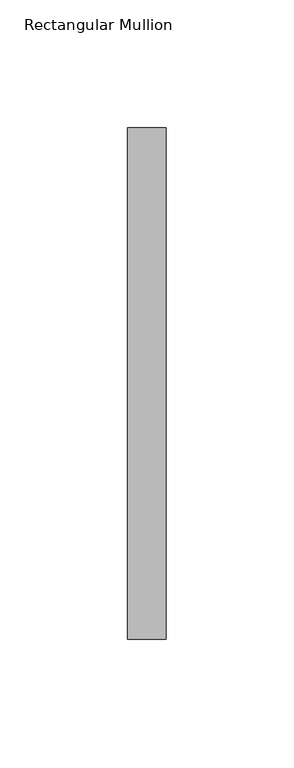
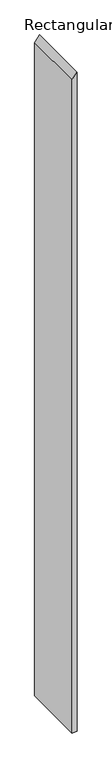
"""IFC4 building model written with IfcOpenShell, lengths in millimetres: member geometry, Rectangular Mullion."""

import ifcopenshell
import ifcopenshell.guid

model = None  # the IFC model being written
_history = None  # IfcOwnerHistory: only IFC2X3 demands one
_inside = {}  # id of a spatial element -> (the spatial element, [elements in it])
_under = {}  # id of a project, library or spatial element -> (it, [spatial elements below it])
_declared = {}  # id of a project -> (the project, [libraries it declares])
_typed = {}  # id of a type object -> (the type object, [elements of that type])
_made_of = {}  # id of a material, layer set ... -> (it, [elements and type objects made of it])


def new_model(schema):
    """Start an empty IFC model of exactly this schema.

    Asked for "IFC4X3", IfcOpenShell would pick the latest addendum, in which some entities
    have other attributes; the version numbers below select the first issue.
    IFC2X3 requires an IfcOwnerHistory on every rooted entity: one is made here for all.
    """
    global model, _history
    if schema == "IFC4X3":
        model = ifcopenshell.file(schema_version=(4, 3, 0, 0))
    else:
        model = ifcopenshell.file(schema=schema)
    _inside.clear()
    _under.clear()
    _declared.clear()
    _typed.clear()
    _made_of.clear()
    _history = None
    if model.schema == "IFC2X3":
        org = make("IfcOrganization", Name="unknown")
        user = make(
            "IfcPersonAndOrganization",
            ThePerson=make("IfcPerson", FamilyName="unknown"),
            TheOrganization=org,
        )
        app = make(
            "IfcApplication",
            ApplicationDeveloper=org,
            Version="unknown",
            ApplicationFullName="unknown",
            ApplicationIdentifier="unknown",
        )
        _history = make(
            "IfcOwnerHistory",
            OwningUser=user,
            OwningApplication=app,
            ChangeAction="ADDED",
            CreationDate=0,
        )
    return model


def make(cls, **values):
    """One entity of the class cls with the attributes given. An attribute that is None is left unset."""
    return model.create_entity(
        cls, **{name: value for name, value in values.items() if value is not None}
    )


def rooted(cls, **values):
    """An entity with a GlobalId (a new one), such as an element, a storey or a relation."""
    return make(cls, GlobalId=ifcopenshell.guid.new(), OwnerHistory=_history, **values)


def si_unit(unit_type, name, prefix=None):
    """IfcSIUnit, for example si_unit("LENGTHUNIT", "METRE", prefix="MILLI")."""
    return make("IfcSIUnit", UnitType=unit_type, Prefix=prefix, Name=name)


def assignment(units):
    """IfcUnitAssignment: the units of a project."""
    return None if units is None else make("IfcUnitAssignment", Units=units)


def point(xyz):
    """IfcCartesianPoint."""
    return None if xyz is None else make("IfcCartesianPoint", Coordinates=xyz)


def direction(xyz):
    """IfcDirection."""
    return None if xyz is None else make("IfcDirection", DirectionRatios=xyz)


def frame(location, z_axis=None, x_axis=None):
    """IfcAxis2Placement3D, a coordinate frame: its origin and axes. An axis left out is left unset."""
    return make(
        "IfcAxis2Placement3D",
        Location=point(location),
        Axis=direction(z_axis),
        RefDirection=direction(x_axis),
    )


def origin():
    """The frame at (0, 0, 0) with its axes left unset."""
    return frame((0.0, 0.0, 0.0))


def place(relative_to, where):
    """IfcLocalPlacement: puts the frame where relative to a parent placement (None: the world)."""
    return make(
        "IfcLocalPlacement", PlacementRelTo=relative_to, RelativePlacement=where
    )


def context(
    kind, dimensions, precision=None, world=None, true_north=None, identifier=None
):
    """IfcGeometricRepresentationContext, for example the 3D "Model" context."""
    return make(
        "IfcGeometricRepresentationContext",
        ContextIdentifier=identifier,
        ContextType=kind,
        CoordinateSpaceDimension=dimensions,
        Precision=precision,
        WorldCoordinateSystem=world,
        TrueNorth=true_north,
    )


def project(units=None, contexts=None):
    """IfcProject with its units and contexts."""
    return rooted(
        "IfcProject",
        Name="project",
        RepresentationContexts=contexts,
        UnitsInContext=assignment(units),
    )


def spatial(cls, under=None, at=None, **own):
    """A site, building, storey or space (cls), placed at a placement, below another one or the project."""
    s = rooted(cls, ObjectPlacement=at, **own)
    if under is not None:
        _under.setdefault(under.id(), (under, []))[1].append(s)
    return s


def polyline(points):
    """IfcPolyline through the points."""
    return make("IfcPolyline", Points=[point(p) for p in points])


def outline(outer, holes=None, kind="AREA"):
    """IfcArbitraryClosedProfileDef: a profile drawn as a closed curve; with holes, ...WithVoids."""
    if holes is None:
        return make("IfcArbitraryClosedProfileDef", ProfileType=kind, OuterCurve=outer)
    return make(
        "IfcArbitraryProfileDefWithVoids",
        ProfileType=kind,
        OuterCurve=outer,
        InnerCurves=holes,
    )


def extrude(swept, where, along, depth):
    """IfcExtrudedAreaSolid: the profile swept, set in the frame where, extruded along a direction by depth."""
    return make(
        "IfcExtrudedAreaSolid",
        SweptArea=swept,
        Position=where,
        ExtrudedDirection=direction(along),
        Depth=depth,
    )


def shape(context_of_items, identifier, shape_type, items):
    """IfcShapeRepresentation: the items that make up one representation, for example the "Body"."""
    return make(
        "IfcShapeRepresentation",
        ContextOfItems=context_of_items,
        RepresentationIdentifier=identifier,
        RepresentationType=shape_type,
        Items=items,
    )


def source(mapping_origin, context_of_items, identifier, shape_type, items):
    """IfcRepresentationMap: a shape defined once, which mapped items show again and again."""
    return make(
        "IfcRepresentationMap",
        MappingOrigin=mapping_origin,
        MappedRepresentation=shape(context_of_items, identifier, shape_type, items),
    )


def transform(
    local_origin,
    x_axis=None,
    y_axis=None,
    z_axis=None,
    scale=None,
    scale2=None,
    scale3=None,
    uniform=True,
):
    """IfcCartesianTransformationOperator3D, or its non-uniform kind. x_axis, y_axis, z_axis: its Axis1, 2, 3."""
    if uniform:
        return make(
            "IfcCartesianTransformationOperator3D",
            Axis1=direction(x_axis),
            Axis2=direction(y_axis),
            LocalOrigin=point(local_origin),
            Scale=scale,
            Axis3=direction(z_axis),
        )
    return make(
        "IfcCartesianTransformationOperator3DnonUniform",
        Axis1=direction(x_axis),
        Axis2=direction(y_axis),
        LocalOrigin=point(local_origin),
        Scale=scale,
        Axis3=direction(z_axis),
        Scale2=scale2,
        Scale3=scale3,
    )


def mapped(mapping_source, mapping_target):
    """IfcMappedItem: shows the shape of a source again, moved by a transform."""
    return make(
        "IfcMappedItem", MappingSource=mapping_source, MappingTarget=mapping_target
    )


def made_of(thing, what):
    """Note that an element or type object is made of a material, layer set ...; save() writes the relation."""
    if what is not None:
        _made_of.setdefault(what.id(), (what, []))[1].append(thing)
    return thing


def element(
    cls,
    number,
    at=None,
    inside=None,
    cuts=None,
    type_object=None,
    material=None,
    context=None,
    identifier="Body",
    shape_type=None,
    held_by="IfcProductDefinitionShape",
    body=None,
    shapes=None,
    **own,
):
    """One element of the class cls, such as IfcWall. Its Tag is "e" and its number.

    at: its placement. inside: the storey or other place that contains it. cuts: it is an
    opening in that element (IfcRelVoidsElement). A single representation is given by context,
    identifier, shape_type and body (its items); several are given by shapes. held_by: the class
    of the entity that holds the representations. save() writes the other relations.
    """
    e = rooted(cls, Tag="e%d" % number, ObjectPlacement=at, **own)
    if body is not None:
        shapes = [shape(context, identifier, shape_type, body)]
    if shapes is not None:
        e.Representation = make(held_by, Representations=shapes)
    if inside is not None:
        _inside.setdefault(inside.id(), (inside, []))[1].append(e)
    if cuts is not None:
        rooted(
            "IfcRelVoidsElement", RelatingBuildingElement=cuts, RelatedOpeningElement=e
        )
    if type_object is not None:
        _typed.setdefault(type_object.id(), (type_object, []))[1].append(e)
    return made_of(e, material)


def aggregate(whole, parts):
    """IfcRelAggregates: a whole, such as a stair, and the parts it consists of."""
    return rooted("IfcRelAggregates", RelatingObject=whole, RelatedObjects=parts)


def save(model, path):
    """Write the relations noted so far, then the file.

    IfcRelAggregates (storeys below a building ...), IfcRelContainedInSpatialStructure (elements
    in a storey), IfcRelDefinesByType, IfcRelAssociatesMaterial and IfcRelDeclares: one each for
    every whole, place, type object, material and project.
    """
    for whole, parts in _under.values():
        aggregate(whole, parts)
    for where, things in _inside.values():
        rooted(
            "IfcRelContainedInSpatialStructure",
            RelatedElements=things,
            RelatingStructure=where,
        )
    for kind, things in _typed.values():
        rooted("IfcRelDefinesByType", RelatedObjects=things, RelatingType=kind)
    for what, things in _made_of.values():
        rooted("IfcRelAssociatesMaterial", RelatedObjects=things, RelatingMaterial=what)
    for by, libraries in _declared.values():
        rooted("IfcRelDeclares", RelatingContext=by, RelatedDefinitions=libraries)
    model.write(path)


def rectangular_mullion_8215cec2(model_context):
    return source(origin(), model_context, "Body", "SweptSolid", [
        extrude(outline(polyline([(0.0, 0.0), (-19.7276909, -15.0), (-2150.8720754, -15.0), (-2150.8720754, 0.0), (0.0, 0.0)])), frame((0.0, -253.0, 0.0), z_axis=(0.0, 1.0, 0.0), x_axis=(0.0, 0.0, 1.0)), (0.0, 0.0, 1.0), 200.0),
    ])


if __name__ == "__main__":
    model = new_model("IFC4")
    model_context = context("Model", 3, world=origin())
    ifc_project = project(units=[si_unit("LENGTHUNIT", "METRE", prefix="MILLI")], contexts=[model_context])
    site = spatial("IfcSite", under=ifc_project)
    building = spatial("IfcBuilding", under=site)
    placement = place(None, origin())
    rectangular_mullion_shape = rectangular_mullion_8215cec2(model_context)
    element("IfcMember", 1, ObjectType="Rectangular Mullion", at=placement, inside=building, context=model_context, shape_type="MappedRepresentation", body=[
        mapped(rectangular_mullion_shape, transform((0.0, 0.0, 0.0), x_axis=(1.0, 0.0, 0.0), y_axis=(0.0, 1.0, 0.0), z_axis=(0.0, 0.0, 1.0))),
    ])
    save(model, "model.ifc")
